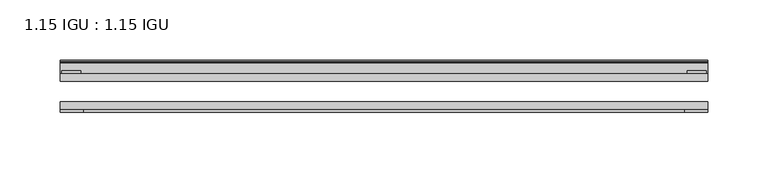
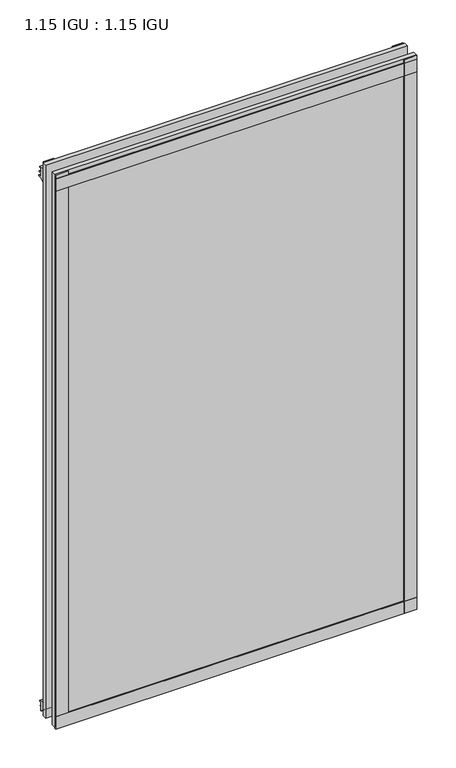
"""IFC4 building model written with IfcOpenShell, lengths in millimetres: plate geometry, 1.15 IGU : 1.15 IGU."""

from ifc_helpers import new_model, si_unit, point, frame, frame_2d, origin, place, context, project, spatial, polyline, circle_curve, trimmed, segment, composite_curve, outline, extrude, source, transform, mapped, element, save


def plate_1_15_igu_1_15_igu_de2e4431(model_context):
    return source(origin(), model_context, "Body", "SweptSolid", [
        extrude(outline(polyline([(268.351, 0.0), (268.351, -6.2992), (-268.351, -6.2992), (-268.351, 0.0), (268.351, 0.0)])), frame((0.0, 0.0, -17.4498), z_axis=(0.0, 0.0, 1.0), x_axis=(1.0, 0.0, 0.0)), (0.0, 0.0, 1.0), 868.3366072),
        extrude(outline(polyline([(-268.351, -23.1648), (268.351, -23.1648), (268.351, -29.464), (-268.351, -29.464), (-268.351, -23.1648)])), frame((0.0, 0.0, -17.4498), z_axis=(0.0, 0.0, 1.0), x_axis=(1.0, 0.0, 0.0)), (0.0, 0.0, 1.0), 868.3366072),
        extrude(outline(polyline([(-268.351, -31.75), (-268.351, -29.464), (268.351, -29.464), (268.351, -31.75), (-268.351, -31.75)])), frame((0.0, 0.0, -19.05), z_axis=(0.0, 0.0, 1.0), x_axis=(1.0, 0.0, 0.0)), (0.0, 0.0, 1.0), 19.05),
        extrude(outline(composite_curve([segment(trimmed(circle_curve(frame_2d((13.6593785, 32.4202472)), 31.3046461), [point((0.0, 4.2528503))], [point((9.3980339, 1.406995))], True, "CARTESIAN"), True, "CONTINUOUS"), segment(polyline([(9.3980339, 1.406995), (9.3980339, 0.0254), (6.35, 0.0254), (6.35, -5.1625788), (7.7309478, -5.3970663), (6.35, -8.0073788), (6.35, -11.8471127)]), True, "CONTINUOUS"), segment(trimmed(circle_curve(frame_2d((5.334, -11.8471127)), 1.016), [point((6.35, -11.8471127))], [point((4.6284878, -12.5782136))], False, "CARTESIAN"), True, "CONTINUOUS"), segment(trimmed(circle_curve(frame_2d((-23.3689302, -41.5910901)), 40.3187601), [point((4.6284878, -12.5782136))], [point((0.0, -8.735413))], True, "CARTESIAN"), True, "CONTINUOUS"), segment(polyline([(0.0, -8.735413), (0.0, 4.2528503)]), True, "CONTINUOUS")], self_intersect=False)), frame((-268.351, 0.0, 0.0), z_axis=(1.0, 0.0, 0.0), x_axis=(0.0, 1.0, 0.0)), (0.0, 0.0, 1.0), 536.702),
        extrude(outline(composite_curve([segment(polyline([(8.509, 840.7300284), (8.509, 838.6980284), (6.35, 838.6980284), (6.35, 833.3640284), (8.9492698, 833.3640284)]), True, "CONTINUOUS"), segment(trimmed(circle_curve(frame_2d((8.208689, 831.8368072)), 1.697311), [point((8.9492698, 833.3640284))], [point((8.962411, 830.3160284))], False, "CARTESIAN"), True, "CONTINUOUS"), segment(polyline([(8.962411, 830.3160284), (6.35, 830.3160284), (6.35, 825.4868072), (11.1252, 825.4868072), (11.1252, 824.5978072)]), True, "CONTINUOUS"), segment(trimmed(circle_curve(frame_2d((10.1092, 824.5978072)), 1.016), [point((11.1252, 824.5978072))], [point((10.1092, 823.5818072))], False, "CARTESIAN"), True, "CONTINUOUS"), segment(trimmed(circle_curve(frame_2d((10.1092, 804.1707318)), 19.4110754), [point((10.1092, 823.5818072))], [point((0.0, 820.7416075))], True, "CARTESIAN"), True, "CONTINUOUS"), segment(polyline([(0.0, 820.7416075), (0.0, 840.7300284), (8.509, 840.7300284)]), True, "CONTINUOUS")], self_intersect=False)), frame((-268.351, 0.0, 0.0), z_axis=(1.0, 0.0, 0.0), x_axis=(0.0, 1.0, 0.0)), (0.0, 0.0, 1.0), 536.702),
        extrude(outline(polyline([(-268.351, -31.75), (-268.351, -29.464), (268.351, -29.464), (268.351, -31.75), (-268.351, -31.75)])), frame((0.0, 0.0, 825.4868072), z_axis=(0.0, 0.0, 1.0), x_axis=(1.0, 0.0, 0.0)), (0.0, 0.0, 1.0), 19.05),
        extrude(outline(polyline([(249.301, -29.464), (268.351, -29.464), (268.351, -31.75), (249.301, -31.75), (249.301, -29.464)])), frame((0.0, 0.0, -17.4498), z_axis=(0.0, 0.0, 1.0), x_axis=(1.0, 0.0, 0.0)), (0.0, 0.0, 1.0), 868.3366072),
        extrude(outline(polyline([(267.1445, 2.2860088), (267.1445, 0.0021347), (251.2695, 0.0021347), (251.2695, 2.2860088), (267.1445, 2.2860088)])), frame((0.0, 0.0, -17.4498), z_axis=(0.0, 0.0, 1.0), x_axis=(1.0, 0.0, 0.0)), (0.0, 0.0, 1.0), 868.3366072),
        extrude(outline(polyline([(-268.351, -31.75), (-268.351, -29.464), (-249.301, -29.464), (-249.301, -31.75), (-268.351, -31.75)])), frame((0.0, 0.0, -17.4498), z_axis=(0.0, 0.0, 1.0), x_axis=(1.0, 0.0, 0.0)), (0.0, 0.0, 1.0), 868.3366072),
        extrude(outline(polyline([(-267.1445, 0.0), (-267.1445, 2.286), (-251.2695, 2.286), (-251.2695, 0.0), (-267.1445, 0.0)])), frame((0.0, 0.0, -17.4498), z_axis=(0.0, 0.0, 1.0), x_axis=(1.0, 0.0, 0.0)), (0.0, 0.0, 1.0), 868.3366072),
    ])


if __name__ == "__main__":
    model = new_model("IFC4")
    model_context = context("Model", 3, world=origin())
    ifc_project = project(units=[si_unit("LENGTHUNIT", "METRE", prefix="MILLI")], contexts=[model_context])
    site = spatial("IfcSite", under=ifc_project)
    building = spatial("IfcBuilding", under=site)
    placement = place(None, origin())
    plate_1_15_igu_1_15_igu_shape = plate_1_15_igu_1_15_igu_de2e4431(model_context)
    element("IfcPlate", 1, ObjectType="1.15 IGU : 1.15 IGU", at=placement, inside=building, context=model_context, shape_type="MappedRepresentation", body=[
        mapped(plate_1_15_igu_1_15_igu_shape, transform((0.0, 0.0, 0.0), x_axis=(1.0, 0.0, 0.0), y_axis=(0.0, 1.0, 0.0), z_axis=(0.0, 0.0, 1.0))),
    ])
    save(model, "model.ifc")
